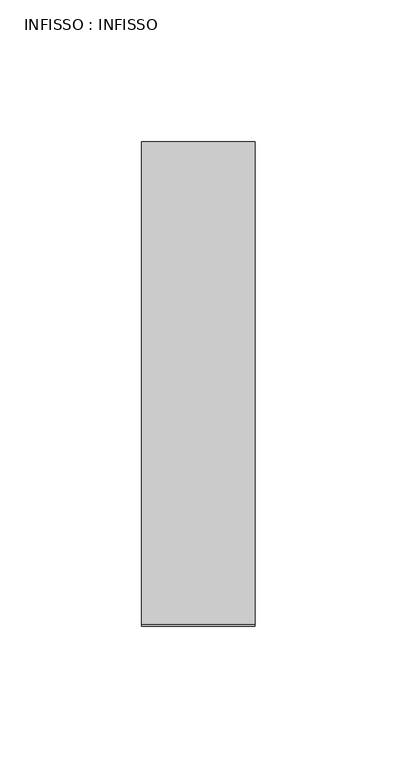
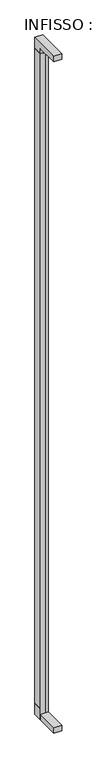
"""IFC4 building model written with IfcOpenShell, lengths in millimetres: plate geometry, INFISSO : INFISSO."""

from ifc_helpers import new_model, si_unit, frame, origin, origin_with_axes, place, context, project, spatial, polyline, outline, extrude, source, transform, mapped, element, save


def infisso_infisso_8ded5cee(model_context):
    return source(origin(), model_context, "Body", "SweptSolid", [
        extrude(outline(polyline([(-5.0, -25.0), (-5.0, -13.0823211), (5.0, -13.0823211), (5.0, -25.0), (-5.0, -25.0)])), frame((0.0, 0.0, 70.0), z_axis=(0.0, 0.0, 1.0), x_axis=(1.0, 0.0, 0.0)), (0.0, 0.0, 1.0), 3570.0),
        extrude(outline(polyline([(-20.0, 0.0), (5.0, 0.0), (5.0, -50.0), (-20.0, -50.0), (-20.0, 0.0)])), origin_with_axes(), (0.0, 0.0, 1.0), 3640.0),
        extrude(outline(polyline([(-5.0, 0.0), (20.0, 0.0), (20.0, -50.0), (-5.0, -50.0), (-5.0, 0.0)])), origin_with_axes(), (0.0, 0.0, 1.0), 3640.0),
        extrude(outline(polyline([(0.0, 3700.0), (0.0, 3640.0), (-50.0, 3640.0), (-50.0, 3670.0), (-170.0, 3670.0), (-170.0, 3700.0), (0.0, 3700.0)])), frame((-20.0, 0.0, 0.0), z_axis=(1.0, 0.0, 0.0), x_axis=(0.0, 1.0, 0.0)), (0.0, 0.0, 1.0), 40.0),
        extrude(outline(polyline([(0.0, 0.0), (-170.0, 0.0), (-170.0, 30.0), (-50.0, 30.0), (-50.0, 60.0), (0.0, 60.0), (0.0, 0.0)])), frame((-20.0, 0.0, 0.0), z_axis=(1.0, 0.0, 0.0), x_axis=(0.0, 1.0, 0.0)), (0.0, 0.0, 1.0), 40.0),
    ])


if __name__ == "__main__":
    model = new_model("IFC4")
    model_context = context("Model", 3, world=origin())
    ifc_project = project(units=[si_unit("LENGTHUNIT", "METRE", prefix="MILLI")], contexts=[model_context])
    site = spatial("IfcSite", under=ifc_project)
    building = spatial("IfcBuilding", under=site)
    placement = place(None, origin())
    infisso_infisso_shape = infisso_infisso_8ded5cee(model_context)
    element("IfcPlate", 1, ObjectType="INFISSO : INFISSO", at=placement, inside=building, context=model_context, shape_type="MappedRepresentation", body=[
        mapped(infisso_infisso_shape, transform((0.0, 0.0, 0.0), x_axis=(1.0, 0.0, 0.0), y_axis=(0.0, 1.0, 0.0), z_axis=(0.0, 0.0, 1.0))),
    ])
    save(model, "model.ifc")
